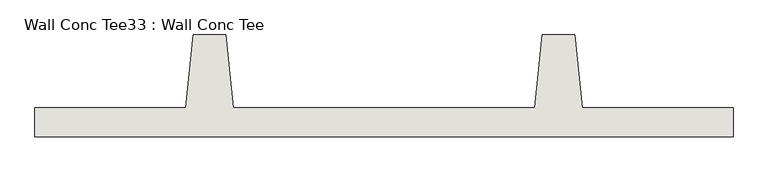
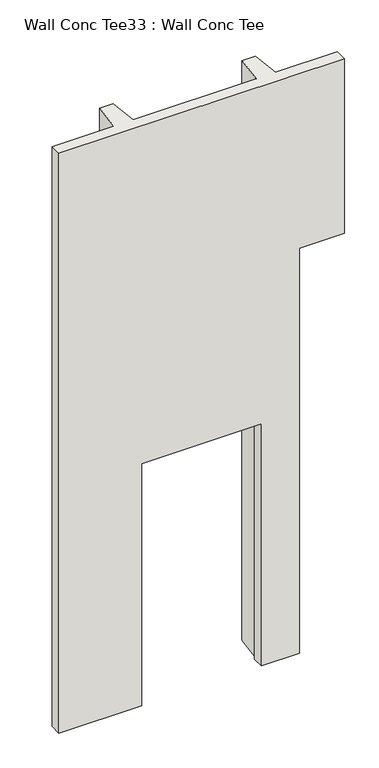
"""IFC4 building model written with IfcOpenShell, lengths in millimetres: wall geometry, Wall Conc Tee33 : Wall Conc Tee."""

from ifc_helpers import new_model, si_unit, origin, place, context, project, spatial, faceted_brep, source, transform, mapped, element, save


def wall_conc_tee33_wall_conc_tee_b9c90052(model_context):
    return source(origin(), model_context, "Body", "Brep", [
        faceted_brep([(212611.4728488, 193104.2596581, 5376.1679688), (215049.8728488, 193104.2596581, 5376.1679688), (215049.8728488, 193205.8596581, 5376.1679688), (214522.8228488, 193205.8596581, 5376.1679688), (214497.4228488, 193459.8596581, 5376.1679688), (214383.1228488, 193459.8596581, 5376.1679688), (214357.7228488, 193205.8596581, 5376.1679688), (213303.6228488, 193205.8596581, 5376.1679688), (213278.2228488, 193459.8596581, 5376.1679688), (213163.9228488, 193459.8596581, 5376.1679688), (213138.5228488, 193205.8596581, 5376.1679688), (212611.4728488, 193205.8596581, 5376.1679688), (214497.4228488, 193459.8596581, 143.7592564), (214522.8228488, 193205.8596581, 143.7592564), (214668.8728488, 193205.8596581, 143.7592564), (214668.8728488, 193104.2596581, 143.7592564), (214343.4353488, 193104.2596581, 143.7592564), (214343.4353488, 193205.8596581, 143.7592564), (214357.7228488, 193205.8596581, 143.7592564), (214383.1228488, 193459.8596581, 143.7592564), (213278.2228488, 193459.8596581, 143.7592564), (213303.6228488, 193205.8596581, 143.7592564), (213317.9103488, 193205.8596581, 143.7592564), (213317.9103488, 193104.2596581, 143.7592564), (212611.4728488, 193104.2596581, 143.7592564), (212611.4728488, 193205.8596581, 143.7592564), (213138.5228488, 193205.8596581, 143.7592564), (213163.9228488, 193459.8596581, 143.7592564), (213317.9103488, 193104.2596581, 2328.1592564), (214343.4353488, 193104.2596581, 2328.1592564), (214668.8728488, 193104.2596581, 3801.3592564), (215049.8728488, 193104.2596581, 3801.3592564), (214343.4353488, 193205.8596581, 2328.1592564), (213317.9103488, 193205.8596581, 2328.1592564), (215049.8728488, 193205.8596581, 3801.3592564), (214668.8728488, 193205.8596581, 3801.3592564)], [[[0, 1, 2, 3, 4, 5, 6, 7, 8, 9, 10, 11]], [[12, 13, 14, 15, 16, 17, 18, 19]], [[20, 21, 22, 23, 24, 25, 26, 27]], [[1, 0, 24, 23, 28, 29, 16, 15, 30, 31]], [[0, 11, 25, 24]], [[11, 10, 26, 25]], [[10, 9, 27, 26]], [[9, 8, 20, 27]], [[8, 7, 21, 20]], [[7, 6, 18, 17, 32, 33, 22, 21]], [[6, 5, 19, 18]], [[5, 4, 12, 19]], [[4, 3, 13, 12]], [[3, 2, 34, 35, 14, 13]], [[2, 1, 31, 34]], [[33, 28, 23, 22]], [[28, 33, 32, 29]], [[29, 32, 17, 16]], [[31, 30, 35, 34]], [[15, 14, 35, 30]]]),
    ])


if __name__ == "__main__":
    model = new_model("IFC4")
    model_context = context("Model", 3, world=origin())
    ifc_project = project(units=[si_unit("LENGTHUNIT", "METRE", prefix="MILLI")], contexts=[model_context])
    site = spatial("IfcSite", under=ifc_project)
    building = spatial("IfcBuilding", under=site)
    placement = place(None, origin())
    wall_conc_tee33_wall_conc_tee_shape = wall_conc_tee33_wall_conc_tee_b9c90052(model_context)
    element("IfcWall", 1, ObjectType="Wall Conc Tee33 : Wall Conc Tee", at=placement, inside=building, context=model_context, shape_type="MappedRepresentation", body=[
        mapped(wall_conc_tee33_wall_conc_tee_shape, transform((0.0, 0.0, 0.0), x_axis=(1.0, 0.0, 0.0), y_axis=(0.0, 1.0, 0.0), z_axis=(0.0, 0.0, 1.0))),
    ])
    save(model, "model.ifc")
